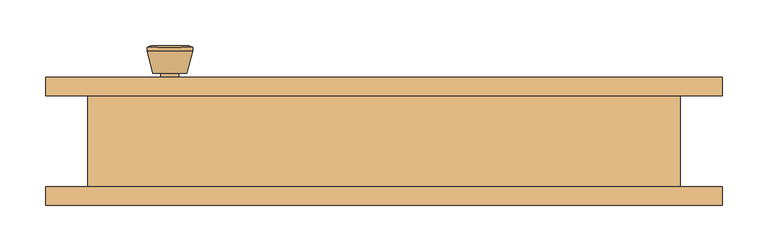
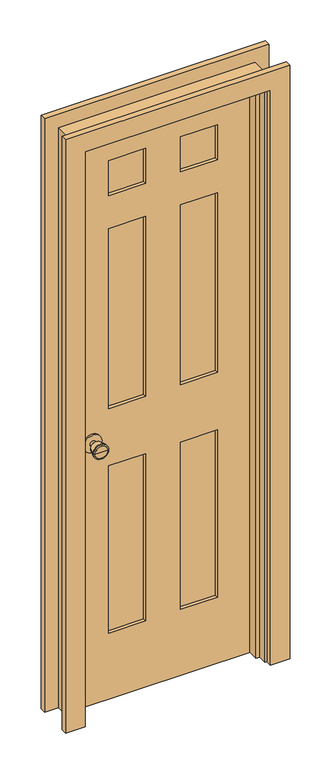
"""IFC4 building model written with IfcOpenShell, lengths in millimetres: door geometry."""

from ifc_helpers import new_model, si_unit, point, frame, frame_2d, origin, place, context, project, spatial, polyline, circle_curve, trimmed, segment, composite_curve, outline, extrude, faceted_brep, source, transform, mapped, element, save
from ifc_brep_helpers import plane_surface, cylinder_surface, revolved_surface, advanced_brep


def door_d308ff91(model_context):
    return source(origin(), model_context, "Body", "SolidModel", [
        advanced_brep(
        [(-235.0, 5.825, 914.4), (-225.0, 5.825, 914.4), (-245.0, 5.825, 914.4), (-214.5241324, -43.175, 914.4), (-235.0, -43.175, 914.4), (-255.4758676, -43.175, 914.4), (-210.0, -41.3471319, 914.4), (-260.0, -41.3471319, 914.4), (-210.0, -37.8834537, 914.4), (-260.0, -37.8834537, 914.4), (-216.363764, -13.175, 914.4), (-253.636236, -13.175, 914.4), (-225.0, -13.175, 914.4), (-245.0, -13.175, 914.4)],
        [
            (0, 1),
            (1, 2, circle_curve(frame((-235.0, 5.825, 914.4), z_axis=(0.0, 1.0, 0.0), x_axis=(-1.0, 0.0, 0.0)), 10.0)),
            (2, 0),
            (2, 1, circle_curve(frame((-235.0, 5.825, 914.4), z_axis=(0.0, 1.0, 0.0), x_axis=(-1.0, 0.0, 0.0)), 10.0)),
            (3, 4),
            (4, 5),
            (5, 3, circle_curve(frame((-235.0, -43.175, 914.4), z_axis=(0.0, -1.0, 0.0), x_axis=(-1.0, 0.0, 0.0)), 20.4758676)),
            (3, 5, circle_curve(frame((-235.0, -43.175, 914.4), z_axis=(0.0, -1.0, 0.0), x_axis=(-1.0, 0.0, 0.0)), 20.4758676)),
            (6, 3),
            (5, 7),
            (7, 6, circle_curve(frame((-235.0, -41.3471319, 914.4), z_axis=(0.0, -1.0, 0.0), x_axis=(-1.0, 0.0, 0.0)), 25.0)),
            (6, 7, circle_curve(frame((-235.0, -41.3471319, 914.4), z_axis=(0.0, -1.0, 0.0), x_axis=(-1.0, 0.0, 0.0)), 25.0)),
            (8, 6),
            (7, 9),
            (9, 8, circle_curve(frame((-235.0, -37.8834537, 914.4), z_axis=(0.0, -1.0, 0.0), x_axis=(-1.0, 0.0, 0.0)), 25.0)),
            (8, 9, circle_curve(frame((-235.0, -37.8834537, 914.4), z_axis=(0.0, -1.0, 0.0), x_axis=(-1.0, 0.0, 0.0)), 25.0)),
            (10, 8),
            (9, 11),
            (11, 10, circle_curve(frame((-235.0, -13.175, 914.4), z_axis=(0.0, -1.0, 0.0), x_axis=(-1.0, 0.0, 0.0)), 18.636236)),
            (10, 11, circle_curve(frame((-235.0, -13.175, 914.4), z_axis=(0.0, -1.0, 0.0), x_axis=(-1.0, 0.0, 0.0)), 18.636236)),
            (12, 10),
            (11, 13),
            (13, 12, circle_curve(frame((-235.0, -13.175, 914.4), z_axis=(0.0, -1.0, 0.0), x_axis=(-1.0, 0.0, 0.0)), 10.0)),
            (12, 13, circle_curve(frame((-235.0, -13.175, 914.4), z_axis=(0.0, -1.0, 0.0), x_axis=(-1.0, 0.0, 0.0)), 10.0)),
            (1, 12),
            (13, 2),
        ],
        [
            plane_surface(frame((-235.0, 5.825, 914.4), z_axis=(0.0, 1.0, 0.0), x_axis=(-1.0, 0.0, 0.0))),
            plane_surface(frame((-235.0, -43.175, 914.4), z_axis=(0.0, -1.0, 0.0), x_axis=(-1.0, 0.0, 0.0))),
            revolved_surface(polyline([(-255.4758676, -43.175, 914.4), (-260.0, -41.3471319, 914.4)]), (-235.0, 5.825, 914.4), (0.0, 1.0, 0.0)),
            cylinder_surface(frame((-235.0, 5.825, 914.4), z_axis=(0.0, 1.0, 0.0), x_axis=(-1.0, 0.0, 0.0)), 25.0),
            revolved_surface(polyline([(-260.0, -37.8834537, 914.4), (-253.636236, -13.175, 914.4)]), (-235.0, 5.825, 914.4), (0.0, 1.0, 0.0)),
            plane_surface(frame((-235.0, -13.175, 914.4), z_axis=(0.0, 1.0, 0.0), x_axis=(-1.0, 0.0, 0.0))),
            cylinder_surface(frame((-235.0, 5.825, 914.4), z_axis=(0.0, 1.0, 0.0), x_axis=(-1.0, 0.0, 0.0)), 10.0),
        ],
        [
            (0, [[1, 2, 3]]),
            (0, [[-3, 4, -1]]),
            (1, [[5, 6, 7]]),
            (1, [[-6, -5, 8]]),
            (2, [[9, -7, 10, 11]]),
            (2, [[-10, -8, -9, 12]]),
            (3, [[13, -11, 14, 15]]),
            (3, [[-14, -12, -13, 16]]),
            (4, [[17, -15, 18, 19]]),
            (4, [[-18, -16, -17, 20]]),
            (5, [[21, -19, 22, 23]]),
            (5, [[-22, -20, -21, 24]]),
            (6, [[25, -23, 26, -2]]),
            (6, [[-26, -24, -25, -4]]),
        ],
    ),
        extrude(outline(composite_curve([segment(trimmed(circle_curve(frame_2d((914.4, -235.0)), 30.0), [point((914.4, -265.0))], [point((914.4, -205.0))], False, "CARTESIAN"), True, "CONTINUOUS"), segment(trimmed(circle_curve(frame_2d((914.4, -235.0)), 30.0), [point((914.4, -205.0))], [point((914.4, -265.0))], False, "CARTESIAN"), True, "CONTINUOUS")], self_intersect=False)), frame((0.0, 5.825, 0.0), z_axis=(0.0, 1.0, 0.0), x_axis=(0.0, 0.0, 1.0)), (0.0, 0.0, 1.0), 6.0),
        advanced_brep(
        [(-235.0, 52.825, 914.4), (-245.0, 52.825, 914.4), (-225.0, 52.825, 914.4), (-214.5241324, 101.825, 914.4), (-255.4758676, 101.825, 914.4), (-235.0, 101.825, 914.4), (-210.0, 99.9971319, 914.4), (-260.0, 99.9971319, 914.4), (-210.0, 96.5334537, 914.4), (-260.0, 96.5334537, 914.4), (-216.363764, 71.825, 914.4), (-253.636236, 71.825, 914.4), (-225.0, 71.825, 914.4), (-245.0, 71.825, 914.4)],
        [
            (0, 1),
            (1, 2, circle_curve(frame((-235.0, 52.825, 914.4), z_axis=(0.0, -1.0, 0.0), x_axis=(-1.0, 0.0, 0.0)), 10.0)),
            (2, 0),
            (2, 1, circle_curve(frame((-235.0, 52.825, 914.4), z_axis=(0.0, -1.0, 0.0), x_axis=(-1.0, 0.0, 0.0)), 10.0)),
            (3, 4, circle_curve(frame((-235.0, 101.825, 914.4), z_axis=(0.0, 1.0, 0.0), x_axis=(-1.0, 0.0, 0.0)), 20.4758676)),
            (4, 5),
            (5, 3),
            (4, 3, circle_curve(frame((-235.0, 101.825, 914.4), z_axis=(0.0, 1.0, 0.0), x_axis=(-1.0, 0.0, 0.0)), 20.4758676)),
            (6, 7, circle_curve(frame((-235.0, 99.9971319, 914.4), z_axis=(0.0, 1.0, 0.0), x_axis=(-1.0, 0.0, 0.0)), 25.0)),
            (7, 4),
            (3, 6),
            (7, 6, circle_curve(frame((-235.0, 99.9971319, 914.4), z_axis=(0.0, 1.0, 0.0), x_axis=(-1.0, 0.0, 0.0)), 25.0)),
            (8, 9, circle_curve(frame((-235.0, 96.5334537, 914.4), z_axis=(0.0, 1.0, 0.0), x_axis=(-1.0, 0.0, 0.0)), 25.0)),
            (9, 7),
            (6, 8),
            (9, 8, circle_curve(frame((-235.0, 96.5334537, 914.4), z_axis=(0.0, 1.0, 0.0), x_axis=(-1.0, 0.0, 0.0)), 25.0)),
            (10, 11, circle_curve(frame((-235.0, 71.825, 914.4), z_axis=(0.0, 1.0, 0.0), x_axis=(-1.0, 0.0, 0.0)), 18.636236)),
            (11, 9),
            (8, 10),
            (11, 10, circle_curve(frame((-235.0, 71.825, 914.4), z_axis=(0.0, 1.0, 0.0), x_axis=(-1.0, 0.0, 0.0)), 18.636236)),
            (12, 13, circle_curve(frame((-235.0, 71.825, 914.4), z_axis=(0.0, 1.0, 0.0), x_axis=(-1.0, 0.0, 0.0)), 10.0)),
            (13, 11),
            (10, 12),
            (13, 12, circle_curve(frame((-235.0, 71.825, 914.4), z_axis=(0.0, 1.0, 0.0), x_axis=(-1.0, 0.0, 0.0)), 10.0)),
            (1, 13),
            (12, 2),
        ],
        [
            plane_surface(frame((-235.0, 52.825, 914.4), z_axis=(0.0, -1.0, 0.0), x_axis=(-1.0, 0.0, 0.0))),
            plane_surface(frame((-235.0, 101.825, 914.4), z_axis=(0.0, 1.0, 0.0), x_axis=(-1.0, 0.0, 0.0))),
            revolved_surface(polyline([(-255.4758676, 101.825, 914.4), (-260.0, 99.9971319, 914.4)]), (-235.0, 52.825, 914.4), (0.0, -1.0, 0.0)),
            cylinder_surface(frame((-235.0, 52.825, 914.4), z_axis=(0.0, -1.0, 0.0), x_axis=(-1.0, 0.0, 0.0)), 25.0),
            revolved_surface(polyline([(-260.0, 96.5334537, 914.4), (-253.636236, 71.825, 914.4)]), (-235.0, 52.825, 914.4), (0.0, -1.0, 0.0)),
            plane_surface(frame((-235.0, 71.825, 914.4), z_axis=(0.0, -1.0, 0.0), x_axis=(-1.0, 0.0, 0.0))),
            cylinder_surface(frame((-235.0, 52.825, 914.4), z_axis=(0.0, -1.0, 0.0), x_axis=(-1.0, 0.0, 0.0)), 10.0),
        ],
        [
            (0, [[1, 2, 3]]),
            (0, [[-3, 4, -1]]),
            (1, [[5, 6, 7]]),
            (1, [[8, -7, -6]]),
            (2, [[9, 10, -5, 11]]),
            (2, [[12, -11, -8, -10]]),
            (3, [[13, 14, -9, 15]]),
            (3, [[16, -15, -12, -14]]),
            (4, [[17, 18, -13, 19]]),
            (4, [[20, -19, -16, -18]]),
            (5, [[21, 22, -17, 23]]),
            (5, [[24, -23, -20, -22]]),
            (6, [[-2, 25, -21, 26]]),
            (6, [[-4, -26, -24, -25]]),
        ],
    ),
        extrude(outline(composite_curve([segment(trimmed(circle_curve(frame_2d((914.4, -235.0)), 30.0), [point((914.4, -265.0))], [point((914.4, -205.0))], False, "CARTESIAN"), True, "CONTINUOUS"), segment(trimmed(circle_curve(frame_2d((914.4, -235.0)), 30.0), [point((914.4, -205.0))], [point((914.4, -265.0))], False, "CARTESIAN"), True, "CONTINUOUS")], self_intersect=False)), frame((0.0, 46.825, 0.0), z_axis=(0.0, 1.0, 0.0), x_axis=(0.0, 0.0, 1.0)), (0.0, 0.0, 1.0), 6.0),
        extrude(outline(polyline([(180.0, 23.4916667), (57.5, 23.4916667), (57.5, 35.1583333), (180.0, 35.1583333), (180.0, 23.4916667)])), frame((0.0, 0.0, 1757.5), z_axis=(0.0, 0.0, 1.0), x_axis=(1.0, 0.0, 0.0)), (0.0, 0.0, 1.0), 122.5),
        extrude(outline(polyline([(180.0, 23.4916667), (57.5, 23.4916667), (57.5, 35.1583333), (180.0, 35.1583333), (180.0, 23.4916667)])), frame((0.0, 0.0, 1014.4), z_axis=(0.0, 0.0, 1.0), x_axis=(1.0, 0.0, 0.0)), (0.0, 0.0, 1.0), 628.1),
        extrude(outline(polyline([(-57.5, 23.4916667), (-180.0, 23.4916667), (-180.0, 35.1583333), (-57.5, 35.1583333), (-57.5, 23.4916667)])), frame((0.0, 0.0, 1014.4), z_axis=(0.0, 0.0, 1.0), x_axis=(1.0, 0.0, 0.0)), (0.0, 0.0, 1.0), 628.1),
        extrude(outline(polyline([(-57.5, 23.4916667), (-180.0, 23.4916667), (-180.0, 35.1583333), (-57.5, 35.1583333), (-57.5, 23.4916667)])), frame((0.0, 0.0, 1757.5), z_axis=(0.0, 0.0, 1.0), x_axis=(1.0, 0.0, 0.0)), (0.0, 0.0, 1.0), 122.5),
        extrude(outline(polyline([(180.0, 23.4916667), (57.5, 23.4916667), (57.5, 35.1583333), (180.0, 35.1583333), (180.0, 23.4916667)])), frame((0.0, 0.0, 230.0), z_axis=(0.0, 0.0, 1.0), x_axis=(1.0, 0.0, 0.0)), (0.0, 0.0, 1.0), 584.4),
        extrude(outline(polyline([(-57.5, 23.4916667), (-180.0, 23.4916667), (-180.0, 35.1583333), (-57.5, 35.1583333), (-57.5, 23.4916667)])), frame((0.0, 0.0, 230.0), z_axis=(0.0, 0.0, 1.0), x_axis=(1.0, 0.0, 0.0)), (0.0, 0.0, 1.0), 584.4),
        extrude(outline(polyline([(2000.0, -300.0), (0.0, -300.0), (0.0, 300.0), (2000.0, 300.0), (2000.0, -300.0)]), holes=[polyline([(1880.0, 57.5), (1880.0, 180.0), (1757.5, 180.0), (1757.5, 57.5), (1880.0, 57.5)]), polyline([(1642.5, 180.0), (1014.4, 180.0), (1014.4, 57.5), (1642.5, 57.5), (1642.5, 180.0)]), polyline([(1014.4, -57.5), (1014.4, -180.0), (1642.5, -180.0), (1642.5, -57.5), (1014.4, -57.5)]), polyline([(1757.5, -180.0), (1880.0, -180.0), (1880.0, -57.5), (1757.5, -57.5), (1757.5, -180.0)]), polyline([(814.4, 57.5), (814.4, 180.0), (230.0, 180.0), (230.0, 57.5), (814.4, 57.5)]), polyline([(230.0, -57.5), (230.0, -180.0), (814.4, -180.0), (814.4, -57.5), (230.0, -57.5)])]), frame((0.0, 11.825, 0.0), z_axis=(0.0, 1.0, 0.0), x_axis=(0.0, 0.0, 1.0)), (0.0, 0.0, 1.0), 35.0),
        faceted_brep([(325.0, 46.825, 0.0), (325.0, -53.175, 0.0), (300.0, -53.175, 0.0), (300.0, -23.1, 0.0), (287.3, -23.1, 0.0), (287.3, 11.825, 0.0), (300.0, 11.825, 0.0), (300.0, 46.825, 0.0), (325.0, 46.825, 2025.0), (325.0, -53.175, 2025.0), (-325.0, -53.175, 2025.0), (-325.0, -53.175, 0.0), (-300.0, -53.175, 0.0), (-300.0, -53.175, 2000.0), (300.0, -53.175, 2000.0), (300.0, -23.1, 2000.0), (-300.0, -23.1, 2000.0), (-300.0, -23.1, 0.0), (-287.3, -23.1, 0.0), (-287.3, -23.1, 1987.3), (287.3, -23.1, 1987.3), (287.3, 11.825, 1987.3), (-287.3, 11.825, 1987.3), (-287.3, 11.825, 0.0), (-300.0, 11.825, 0.0), (-300.0, 11.825, 2000.0), (300.0, 11.825, 2000.0), (300.0, 46.825, 2000.0), (-300.0, 46.825, 2000.0), (-300.0, 46.825, 0.0), (-325.0, 46.825, 0.0), (-325.0, 46.825, 2025.0)], [[[0, 1, 2, 3, 4, 5, 6, 7]], [[1, 0, 8, 9]], [[2, 1, 9, 10, 11, 12, 13, 14]], [[3, 2, 14, 15]], [[4, 3, 15, 16, 17, 18, 19, 20]], [[5, 4, 20, 21]], [[6, 5, 21, 22, 23, 24, 25, 26]], [[7, 6, 26, 27]], [[0, 7, 27, 28, 29, 30, 31, 8]], [[9, 8, 31, 10]], [[15, 14, 13, 16]], [[21, 20, 19, 22]], [[27, 26, 25, 28]], [[30, 29, 24, 23, 18, 17, 12, 11]], [[10, 31, 30, 11]], [[16, 13, 12, 17]], [[22, 19, 18, 23]], [[28, 25, 24, 29]]]),
        extrude(outline(polyline([(0.0, 306.35), (0.0, 371.35), (2071.35, 371.35), (2071.35, -371.35), (0.0, -371.35), (0.0, -306.35), (2006.35, -306.35), (2006.35, 306.35), (0.0, 306.35)])), frame((0.0, -73.175, 0.0), z_axis=(0.0, 1.0, 0.0), x_axis=(0.0, 0.0, 1.0)), (0.0, 0.0, 1.0), 20.0),
        extrude(outline(polyline([(0.0, 306.35), (0.0, 371.35), (2071.35, 371.35), (2071.35, -371.35), (0.0, -371.35), (0.0, -306.35), (2006.35, -306.35), (2006.35, 306.35), (0.0, 306.35)])), frame((0.0, 46.825, 0.0), z_axis=(0.0, 1.0, 0.0), x_axis=(0.0, 0.0, 1.0)), (0.0, 0.0, 1.0), 20.0),
    ])


if __name__ == "__main__":
    model = new_model("IFC4")
    model_context = context("Model", 3, world=origin())
    ifc_project = project(units=[si_unit("LENGTHUNIT", "METRE", prefix="MILLI")], contexts=[model_context])
    site = spatial("IfcSite", under=ifc_project)
    building = spatial("IfcBuilding", under=site)
    placement = place(None, origin())
    door_shape = door_d308ff91(model_context)
    element("IfcDoor", 1, at=placement, inside=building, context=model_context, shape_type="MappedRepresentation", body=[
        mapped(door_shape, transform((0.0, 0.0, 0.0), x_axis=(1.0, 0.0, 0.0), y_axis=(0.0, 1.0, 0.0), z_axis=(0.0, 0.0, 1.0))),
    ])
    save(model, "model.ifc")
